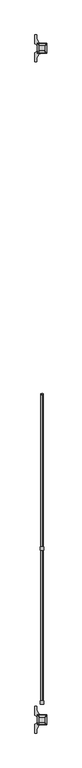
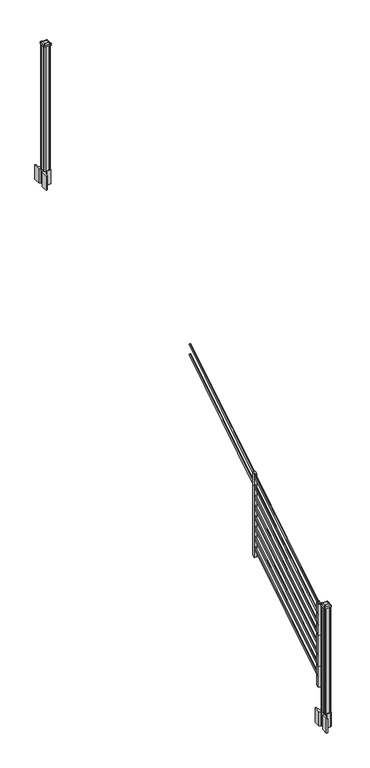
"""IFC4 building model written with IfcOpenShell, lengths in millimetres: railing geometry."""

from ifc_helpers import new_model, si_unit, point, frame, frame_2d, origin, origin_2d, place, context, project, spatial, polyline, circle_curve, trimmed, segment, composite_curve, outline, extrude, source, transform, mapped, element, save
from ifc_brep_helpers import plane_surface, extruded_surface, advanced_brep


def railing_a43fe836(model_context):
    return source(origin(), model_context, "Body", "SolidModel", [
        extrude(outline(composite_curve([segment(trimmed(circle_curve(origin_2d(), 8.001), [point((0.0, 8.001))], [point((0.0, -8.001))], False, "CARTESIAN"), True, "CONTINUOUS"), segment(trimmed(circle_curve(origin_2d(), 8.001), [point((0.0, -8.001))], [point((0.0, 8.001))], False, "CARTESIAN"), True, "CONTINUOUS")], self_intersect=False)), frame((11074.5274858, -141507.6308453, 1880.2290853), z_axis=(0.0, 0.8479983040051253, 0.5299989400031202), x_axis=(1.0, 0.0, 0.0)), (0.0, 0.0, 1.0), 1347.8800542),
        extrude(outline(composite_curve([segment(trimmed(circle_curve(origin_2d(), 8.001), [point((0.0, 8.001))], [point((0.0, -8.001))], False, "CARTESIAN"), True, "CONTINUOUS"), segment(trimmed(circle_curve(origin_2d(), 8.001), [point((0.0, -8.001))], [point((0.0, 8.001))], False, "CARTESIAN"), True, "CONTINUOUS")], self_intersect=False)), frame((11074.5274858, -141507.6308453, 1991.4189969), z_axis=(0.0, 0.8479983040051254, 0.5299989400031201), x_axis=(1.0, 0.0, 0.0)), (0.0, 0.0, 1.0), 1347.8800542),
        extrude(outline(polyline([(-141489.8508453, 1123.1203781), (-141515.2508453, 1107.2453781), (-141515.2508453, 2000.5675), (-141489.8508453, 2016.4425), (-141489.8508453, 1123.1203781)])), frame((11062.1376478, 0.0, 0.0), z_axis=(1.0, 0.0, 0.0), x_axis=(0.0, 1.0, 0.0)), (0.0, 0.0, 1.0), 25.4),
        extrude(outline(composite_curve([segment(trimmed(circle_curve(origin_2d(), 8.001), [point((0.0, 8.001))], [point((0.0, -8.001))], False, "CARTESIAN"), True, "CONTINUOUS"), segment(trimmed(circle_curve(origin_2d(), 8.001), [point((0.0, -8.001))], [point((0.0, 8.001))], False, "CARTESIAN"), True, "CONTINUOUS")], self_intersect=False)), frame((11074.5274858, -142640.4708453, 505.0646159), z_axis=(0.0, 0.8479983040051253, 0.5299989400031202), x_axis=(1.0, 0.0, 0.0)), (0.0, 0.0, 1.0), 1347.8800542),
        extrude(outline(composite_curve([segment(trimmed(circle_curve(origin_2d(), 8.001), [point((0.0, 8.001))], [point((0.0, -8.001))], False, "CARTESIAN"), True, "CONTINUOUS"), segment(trimmed(circle_curve(origin_2d(), 8.001), [point((0.0, -8.001))], [point((0.0, 8.001))], False, "CARTESIAN"), True, "CONTINUOUS")], self_intersect=False)), frame((11074.5274858, -142640.4708453, 616.2545274), z_axis=(0.0, 0.8479983040051253, 0.5299989400031202), x_axis=(1.0, 0.0, 0.0)), (0.0, 0.0, 1.0), 1347.8800542),
        extrude(outline(composite_curve([segment(trimmed(circle_curve(origin_2d(), 8.001), [point((0.0, 8.001))], [point((0.0, -8.001))], False, "CARTESIAN"), True, "CONTINUOUS"), segment(trimmed(circle_curve(origin_2d(), 8.001), [point((0.0, -8.001))], [point((0.0, 8.001))], False, "CARTESIAN"), True, "CONTINUOUS")], self_intersect=False)), frame((11074.5274858, -142640.4708453, 727.444439), z_axis=(0.0, 0.8479983040051254, 0.5299989400031202), x_axis=(1.0, 0.0, 0.0)), (0.0, 0.0, 1.0), 1347.8800542),
        extrude(outline(composite_curve([segment(trimmed(circle_curve(origin_2d(), 8.001), [point((0.0, 8.001))], [point((0.0, -8.001))], False, "CARTESIAN"), True, "CONTINUOUS"), segment(trimmed(circle_curve(origin_2d(), 8.001), [point((0.0, -8.001))], [point((0.0, 8.001))], False, "CARTESIAN"), True, "CONTINUOUS")], self_intersect=False)), frame((11074.5274858, -142640.4708453, 838.6343506), z_axis=(0.0, 0.8479983040051254, 0.5299989400031202), x_axis=(1.0, 0.0, 0.0)), (0.0, 0.0, 1.0), 1347.8800542),
        extrude(outline(composite_curve([segment(trimmed(circle_curve(origin_2d(), 8.001), [point((0.0, 8.001))], [point((0.0, -8.001))], False, "CARTESIAN"), True, "CONTINUOUS"), segment(trimmed(circle_curve(origin_2d(), 8.001), [point((0.0, -8.001))], [point((0.0, 8.001))], False, "CARTESIAN"), True, "CONTINUOUS")], self_intersect=False)), frame((11074.5274858, -142640.4708453, 949.8242622), z_axis=(0.0, 0.8479983040051253, 0.5299989400031203), x_axis=(1.0, 0.0, 0.0)), (0.0, 0.0, 1.0), 1347.8800542),
        extrude(outline(composite_curve([segment(trimmed(circle_curve(origin_2d(), 8.001), [point((0.0, 8.001))], [point((0.0, -8.001))], False, "CARTESIAN"), True, "CONTINUOUS"), segment(trimmed(circle_curve(origin_2d(), 8.001), [point((0.0, -8.001))], [point((0.0, 8.001))], False, "CARTESIAN"), True, "CONTINUOUS")], self_intersect=False)), frame((11074.5274858, -142640.4708453, 1061.0141737), z_axis=(0.0, 0.8479983040051253, 0.5299989400031203), x_axis=(1.0, 0.0, 0.0)), (0.0, 0.0, 1.0), 1347.8800542),
        extrude(outline(composite_curve([segment(trimmed(circle_curve(origin_2d(), 8.001), [point((0.0, 8.001))], [point((0.0, -8.001))], False, "CARTESIAN"), True, "CONTINUOUS"), segment(trimmed(circle_curve(origin_2d(), 8.001), [point((0.0, -8.001))], [point((0.0, 8.001))], False, "CARTESIAN"), True, "CONTINUOUS")], self_intersect=False)), frame((11074.5274858, -142640.4708453, 1172.2040853), z_axis=(0.0, 0.8479983040051253, 0.5299989400031202), x_axis=(1.0, 0.0, 0.0)), (0.0, 0.0, 1.0), 1347.8800542),
        extrude(outline(composite_curve([segment(trimmed(circle_curve(origin_2d(), 8.001), [point((0.0, 8.001))], [point((0.0, -8.001))], False, "CARTESIAN"), True, "CONTINUOUS"), segment(trimmed(circle_curve(origin_2d(), 8.001), [point((0.0, -8.001))], [point((0.0, 8.001))], False, "CARTESIAN"), True, "CONTINUOUS")], self_intersect=False)), frame((11074.5274858, -142640.4708453, 1283.3939969), z_axis=(0.0, 0.8479983040051254, 0.5299989400031201), x_axis=(1.0, 0.0, 0.0)), (0.0, 0.0, 1.0), 1347.8800542),
        extrude(outline(polyline([(-142622.6908453, 415.0953781), (-142648.0908453, 399.2203781), (-142648.0908453, 1292.5425), (-142622.6908453, 1308.4175), (-142622.6908453, 415.0953781)])), frame((11062.1376478, 0.0, 0.0), z_axis=(1.0, 0.0, 0.0), x_axis=(0.0, 1.0, 0.0)), (0.0, 0.0, 1.0), 25.4),
        extrude(outline(polyline([(11044.6751478, -137852.0628453), (11043.0876478, -137850.4753453), (11043.0876478, -137840.1248453), (11044.6751478, -137839.3628453), (11044.6751478, -137801.2628453), (11043.0876478, -137800.5008453), (11043.0876478, -137790.1503453), (11044.6751478, -137788.5628453), (11055.0256478, -137788.5628453), (11055.7876478, -137790.1503453), (11093.8876478, -137790.1503453), (11094.6496478, -137788.5628453), (11105.0001478, -137788.5628453), (11106.5876478, -137790.1503453), (11106.5876478, -137800.5008453), (11105.0001478, -137801.2628453), (11105.0001478, -137839.3628453), (11106.5876478, -137840.1248453), (11106.5876478, -137850.4753453), (11105.0001478, -137852.0628453), (11094.6496478, -137852.0628453), (11093.8876478, -137850.4753453), (11055.7876478, -137850.4753453), (11055.0256478, -137852.0628453), (11044.6751478, -137852.0628453)])), frame((0.0, 0.0, 3048.0), z_axis=(0.0, 0.0, 1.0), x_axis=(1.0, 0.0, 0.0)), (0.0, 0.0, 1.0), 1339.974263),
        extrude(outline(composite_curve([segment(polyline([(11107.8893978, -137837.4449401), (11109.4768978, -137838.2069401), (11109.4768978, -137851.7378682), (11106.2626707, -137854.9520953), (11054.5819999, -137854.9520953), (11054.5819999, -137855.8728453), (11058.9323311, -137855.8728453), (11058.9323311, -137857.3271), (11053.8478014, -137857.3271), (11053.8478014, -137858.6111238), (11061.6385135, -137858.6111238)]), True, "CONTINUOUS"), segment(trimmed(circle_curve(frame_2d((11061.6385135, -137875.3543337)), 16.7432099), [point((11061.6385135, -137858.6111238))], [point((11045.0163912, -137873.344327))], True, "CARTESIAN"), True, "CONTINUOUS"), segment(polyline([(11045.0163912, -137873.344327), (11037.3009469, -137890.3796654)]), True, "CONTINUOUS"), segment(trimmed(circle_curve(frame_2d((11082.4017103, -137906.6517151)), 47.9464123), [point((11037.3009469, -137890.3796654))], [point((11034.455298, -137906.6517151))], True, "CARTESIAN"), True, "CONTINUOUS"), segment(polyline([(11034.455298, -137906.6517151), (11034.455298, -137918.6604547), (11022.2517103, -137918.6604547), (11022.2517103, -137853.3645953), (11040.1983978, -137841.788179), (11040.1983978, -137838.2069401), (11041.7858978, -137837.4449401), (11041.7858978, -137803.1807504), (11040.1983978, -137802.4187504), (11040.1983978, -137798.8375116), (11022.2517103, -137787.2610953), (11022.2517103, -137721.9652359), (11034.455298, -137721.9652359), (11034.455298, -137733.9739755)]), True, "CONTINUOUS"), segment(trimmed(circle_curve(frame_2d((11082.4017103, -137733.9739755)), 47.9464123), [point((11034.455298, -137733.9739755))], [point((11037.3009469, -137750.2460251))], True, "CARTESIAN"), True, "CONTINUOUS"), segment(polyline([(11037.3009469, -137750.2460251), (11045.0163912, -137767.2813636)]), True, "CONTINUOUS"), segment(trimmed(circle_curve(frame_2d((11061.6385135, -137765.2713569)), 16.7432099), [point((11045.0163912, -137767.2813636))], [point((11061.6385135, -137782.0145668))], True, "CARTESIAN"), True, "CONTINUOUS"), segment(polyline([(11061.6385135, -137782.0145668), (11063.3057858, -137782.0145668), (11063.3057858, -137783.2985906), (11058.9323311, -137783.2985906), (11058.9323311, -137784.7528453), (11054.5819999, -137784.7528453), (11054.5819999, -137785.6735953), (11106.2626707, -137785.6735953), (11109.4768978, -137788.8878224), (11109.4768978, -137802.4187504), (11107.8893978, -137803.1807504), (11107.8893978, -137837.4449401)]), True, "CONTINUOUS")], self_intersect=False), holes=[polyline([(11043.0876478, -137790.1503453), (11043.0876478, -137850.4753453), (11044.6751478, -137852.0628453), (11072.0744304, -137852.0628453), (11105.0001478, -137852.0628453), (11106.5876478, -137850.4753453), (11106.5876478, -137790.1503453), (11105.0001478, -137788.5628453), (11072.0744304, -137788.5628453), (11044.6751478, -137788.5628453), (11043.0876478, -137790.1503453)])]), frame((0.0, 0.0, 2895.6), z_axis=(0.0, 0.0, 1.0), x_axis=(1.0, 0.0, 0.0)), (0.0, 0.0, 1.0), 152.4),
        advanced_brep(
        [(11058.9626478, -137839.3628453, 4416.549263), (11090.7126478, -137839.3628453, 4416.549263), (11093.8876478, -137836.1878453, 4416.549263), (11093.8876478, -137804.4378453, 4416.549263), (11090.7126478, -137801.2628453, 4416.549263), (11058.9626478, -137801.2628453, 4416.549263), (11055.7876478, -137804.4378453, 4416.549263), (11055.7876478, -137836.1878453, 4416.549263), (11042.4526478, -137855.8728453, 4405.246263), (11039.2776478, -137852.6978453, 4405.246263), (11039.2776478, -137787.9278453, 4405.246263), (11042.4526478, -137784.7528453, 4405.246263), (11107.2226478, -137784.7528453, 4405.246263), (11110.3976478, -137787.9278453, 4405.246263), (11110.3976478, -137852.6978453, 4405.246263), (11107.2226478, -137855.8728453, 4405.246263)],
        [
            (0, 1),
            (1, 2, circle_curve(frame((11090.7126478, -137836.1878453, 4416.549263), z_axis=(0.0, 0.0, 1.0), x_axis=(0.0, 1.0, 0.0)), 3.175)),
            (2, 3),
            (3, 4, circle_curve(frame((11090.7126478, -137804.4378453, 4416.549263), z_axis=(0.0, 0.0, 1.0), x_axis=(0.0, 1.0, 0.0)), 3.175)),
            (4, 5),
            (5, 6, circle_curve(frame((11058.9626478, -137804.4378453, 4416.549263), z_axis=(0.0, 0.0, 1.0), x_axis=(0.0, 1.0, 0.0)), 3.175)),
            (6, 7),
            (7, 0, circle_curve(frame((11058.9626478, -137836.1878453, 4416.549263), z_axis=(0.0, 0.0, 1.0), x_axis=(0.0, 1.0, 0.0)), 3.175)),
            (8, 9, circle_curve(frame((11042.4526478, -137852.6978453, 4405.246263), z_axis=(0.0, 0.0, -1.0), x_axis=(0.0, 1.0, 0.0)), 3.175)),
            (9, 10),
            (10, 11, circle_curve(frame((11042.4526478, -137787.9278453, 4405.246263), z_axis=(0.0, 0.0, -1.0), x_axis=(0.0, 1.0, 0.0)), 3.175)),
            (11, 12),
            (12, 13, circle_curve(frame((11107.2226478, -137787.9278453, 4405.246263), z_axis=(0.0, 0.0, -1.0), x_axis=(0.0, 1.0, 0.0)), 3.175)),
            (13, 14),
            (14, 15, circle_curve(frame((11107.2226478, -137852.6978453, 4405.246263), z_axis=(0.0, 0.0, -1.0), x_axis=(0.0, 1.0, 0.0)), 3.175)),
            (15, 8),
            (8, 0),
            (7, 9),
            (6, 10),
            (5, 11),
            (4, 12),
            (3, 13),
            (2, 14),
            (1, 15),
        ],
        [
            plane_surface(frame((11074.8376478, -137820.3128453, 4416.549263), z_axis=(0.0, 0.0, 1.0), x_axis=(-1.0, 0.0, 0.0))),
            plane_surface(frame((11074.8376478, -137820.3128453, 4405.246263), z_axis=(0.0, 0.0, -1.0), x_axis=(-1.0, 0.0, 0.0))),
            extruded_surface(trimmed(circle_curve(frame((11058.9626478, -137836.1878453, 4416.549263), z_axis=(0.0, 0.0, -1.0), x_axis=(0.0, 1.0, 0.0)), 3.175), [point((11058.9626478, -137839.3628453, 4416.549263))], [point((11055.7876478, -137836.1878453, 4416.549263))], True, "CARTESIAN"), (-16.5099999999984, -16.50999999998021, -11.302999999999884), 25.940663233604706),
            plane_surface(frame((11039.2776478, -137820.3128453, 4405.246263), z_axis=(-0.5649114395471312, 0.0, 0.8251515409116001), x_axis=(0.0, 1.0, 0.0))),
            extruded_surface(trimmed(circle_curve(frame((11058.9626478, -137804.4378453, 4416.549263), z_axis=(0.0, 0.0, -1.0), x_axis=(0.0, 1.0, 0.0)), 3.175), [point((11055.7876478, -137804.4378453, 4416.549263))], [point((11058.9626478, -137801.2628453, 4416.549263))], True, "CARTESIAN"), (-16.5099999999984, 16.510000000009313, -11.302999999999884), 25.94066323362323),
            plane_surface(frame((11074.8376478, -137784.7528453, 4405.246263), z_axis=(0.0, 0.564911439547091, 0.8251515409116277), x_axis=(1.0, 0.0, 0.0))),
            extruded_surface(trimmed(circle_curve(frame((11090.7126478, -137804.4378453, 4416.549263), z_axis=(0.0, 0.0, -1.0), x_axis=(0.0, 1.0, 0.0)), 3.175), [point((11090.7126478, -137801.2628453, 4416.549263))], [point((11093.8876478, -137804.4378453, 4416.549263))], True, "CARTESIAN"), (16.51000000000022, 16.510000000009313, -11.302999999999884), 25.940663233624388),
            plane_surface(frame((11110.3976478, -137820.3128453, 4405.246263), z_axis=(0.5649114395470521, 0.0, 0.8251515409116541), x_axis=(0.0, -1.0, 0.0))),
            extruded_surface(trimmed(circle_curve(frame((11090.7126478, -137836.1878453, 4416.549263), z_axis=(0.0, 0.0, -1.0), x_axis=(0.0, 1.0, 0.0)), 3.175), [point((11093.8876478, -137836.1878453, 4416.549263))], [point((11090.7126478, -137839.3628453, 4416.549263))], True, "CARTESIAN"), (16.51000000000022, -16.50999999998021, -11.302999999999884), 25.940663233605864),
            plane_surface(frame((11074.8376478, -137855.8728453, 4405.246263), z_axis=(0.0, -0.5649114395471048, 0.8251515409116182), x_axis=(-1.0, 0.0, 0.0))),
        ],
        [
            (0, [[1, 2, 3, 4, 5, 6, 7, 8]]),
            (1, [[9, 10, 11, 12, 13, 14, 15, 16]]),
            (2, [[17, -8, 18, -9]]),
            (3, [[-18, -7, 19, -10]]),
            (4, [[-19, -6, 20, -11]]),
            (5, [[-20, -5, 21, -12]]),
            (6, [[-21, -4, 22, -13]]),
            (7, [[-22, -3, 23, -14]]),
            (8, [[-23, -2, 24, -15]]),
            (9, [[-24, -1, -17, -16]]),
        ],
    ),
        extrude(outline(composite_curve([segment(trimmed(circle_curve(frame_2d((11042.4526478, -137852.6978453)), 3.175), [point((11042.4526478, -137855.8728453))], [point((11039.2776478, -137852.6978453))], False, "CARTESIAN"), True, "CONTINUOUS"), segment(polyline([(11039.2776478, -137852.6978453), (11039.2776478, -137787.9278453)]), True, "CONTINUOUS"), segment(trimmed(circle_curve(frame_2d((11042.4526478, -137787.9278453)), 3.175), [point((11039.2776478, -137787.9278453))], [point((11042.4526478, -137784.7528453))], False, "CARTESIAN"), True, "CONTINUOUS"), segment(polyline([(11042.4526478, -137784.7528453), (11107.2226478, -137784.7528453)]), True, "CONTINUOUS"), segment(trimmed(circle_curve(frame_2d((11107.2226478, -137787.9278453)), 3.175), [point((11107.2226478, -137784.7528453))], [point((11110.3976478, -137787.9278453))], False, "CARTESIAN"), True, "CONTINUOUS"), segment(polyline([(11110.3976478, -137787.9278453), (11110.3976478, -137852.6978453)]), True, "CONTINUOUS"), segment(trimmed(circle_curve(frame_2d((11107.2226478, -137852.6978453)), 3.175), [point((11110.3976478, -137852.6978453))], [point((11107.2226478, -137855.8728453))], False, "CARTESIAN"), True, "CONTINUOUS"), segment(polyline([(11107.2226478, -137855.8728453), (11042.4526478, -137855.8728453)]), True, "CONTINUOUS")], self_intersect=False)), frame((0.0, 0.0, 4387.974263), z_axis=(0.0, 0.0, 1.0), x_axis=(1.0, 0.0, 0.0)), (0.0, 0.0, 1.0), 17.272),
        extrude(outline(composite_curve([segment(polyline([(11107.8893978, -142777.7449401), (11109.4768978, -142778.5069401), (11109.4768978, -142792.0378682), (11106.2626707, -142795.2520953), (11054.5819999, -142795.2520953), (11054.5819999, -142796.1728453), (11058.9323311, -142796.1728453), (11058.9323311, -142797.6271), (11053.8478014, -142797.6271), (11053.8478014, -142798.9111238), (11061.6385135, -142798.9111238)]), True, "CONTINUOUS"), segment(trimmed(circle_curve(frame_2d((11061.6385135, -142815.6543337)), 16.7432099), [point((11061.6385135, -142798.9111238))], [point((11045.0163912, -142813.644327))], True, "CARTESIAN"), True, "CONTINUOUS"), segment(polyline([(11045.0163912, -142813.644327), (11037.3009469, -142830.6796654)]), True, "CONTINUOUS"), segment(trimmed(circle_curve(frame_2d((11082.4017103, -142846.9517151)), 47.9464123), [point((11037.3009469, -142830.6796654))], [point((11034.455298, -142846.9517151))], True, "CARTESIAN"), True, "CONTINUOUS"), segment(polyline([(11034.455298, -142846.9517151), (11034.455298, -142858.9604547), (11022.2517103, -142858.9604547), (11022.2517103, -142793.6645953), (11040.1983978, -142782.088179), (11040.1983978, -142778.5069401), (11041.7858978, -142777.7449401), (11041.7858978, -142743.4807504), (11040.1983978, -142742.7187504), (11040.1983978, -142739.1375116), (11022.2517103, -142727.5610953), (11022.2517103, -142662.2652359), (11034.455298, -142662.2652359), (11034.455298, -142674.2739755)]), True, "CONTINUOUS"), segment(trimmed(circle_curve(frame_2d((11082.4017103, -142674.2739755)), 47.9464123), [point((11034.455298, -142674.2739755))], [point((11037.3009469, -142690.5460251))], True, "CARTESIAN"), True, "CONTINUOUS"), segment(polyline([(11037.3009469, -142690.5460251), (11045.0163912, -142707.5813636)]), True, "CONTINUOUS"), segment(trimmed(circle_curve(frame_2d((11061.6385135, -142705.5713569)), 16.7432099), [point((11045.0163912, -142707.5813636))], [point((11061.6385135, -142722.3145668))], True, "CARTESIAN"), True, "CONTINUOUS"), segment(polyline([(11061.6385135, -142722.3145668), (11063.3057858, -142722.3145668), (11063.3057858, -142723.5985906), (11058.9323311, -142723.5985906), (11058.9323311, -142725.0528453), (11054.5819999, -142725.0528453), (11054.5819999, -142725.9735953), (11106.2626707, -142725.9735953), (11109.4768978, -142729.1878224), (11109.4768978, -142742.7187504), (11107.8893978, -142743.4807504), (11107.8893978, -142777.7449401)]), True, "CONTINUOUS")], self_intersect=False), holes=[polyline([(11043.0876478, -142730.4503453), (11043.0876478, -142790.7753453), (11044.6751478, -142792.3628453), (11072.0744304, -142792.3628453), (11105.0001478, -142792.3628453), (11106.5876478, -142790.7753453), (11106.5876478, -142730.4503453), (11105.0001478, -142728.8628453), (11072.0744304, -142728.8628453), (11044.6751478, -142728.8628453), (11043.0876478, -142730.4503453)])]), frame((0.0, 0.0, 50.00625), z_axis=(0.0, 0.0, 1.0), x_axis=(1.0, 0.0, 0.0)), (0.0, 0.0, 1.0), 152.4),
        advanced_brep(
        [(11058.9626478, -142779.6628453, 1367.755513), (11090.7126478, -142779.6628453, 1367.755513), (11093.8876478, -142776.4878453, 1367.755513), (11093.8876478, -142744.7378453, 1367.755513), (11090.7126478, -142741.5628453, 1367.755513), (11058.9626478, -142741.5628453, 1367.755513), (11055.7876478, -142744.7378453, 1367.755513), (11055.7876478, -142776.4878453, 1367.755513), (11042.4526478, -142796.1728453, 1356.452513), (11039.2776478, -142792.9978453, 1356.452513), (11039.2776478, -142728.2278453, 1356.452513), (11042.4526478, -142725.0528453, 1356.452513), (11107.2226478, -142725.0528453, 1356.452513), (11110.3976478, -142728.2278453, 1356.452513), (11110.3976478, -142792.9978453, 1356.452513), (11107.2226478, -142796.1728453, 1356.452513)],
        [
            (0, 1),
            (1, 2, circle_curve(frame((11090.7126478, -142776.4878453, 1367.755513), z_axis=(0.0, 0.0, 1.0), x_axis=(0.0, 1.0, 0.0)), 3.175)),
            (2, 3),
            (3, 4, circle_curve(frame((11090.7126478, -142744.7378453, 1367.755513), z_axis=(0.0, 0.0, 1.0), x_axis=(0.0, 1.0, 0.0)), 3.175)),
            (4, 5),
            (5, 6, circle_curve(frame((11058.9626478, -142744.7378453, 1367.755513), z_axis=(0.0, 0.0, 1.0), x_axis=(0.0, 1.0, 0.0)), 3.175)),
            (6, 7),
            (7, 0, circle_curve(frame((11058.9626478, -142776.4878453, 1367.755513), z_axis=(0.0, 0.0, 1.0), x_axis=(0.0, 1.0, 0.0)), 3.175)),
            (8, 9, circle_curve(frame((11042.4526478, -142792.9978453, 1356.452513), z_axis=(0.0, 0.0, -1.0), x_axis=(0.0, 1.0, 0.0)), 3.175)),
            (9, 10),
            (10, 11, circle_curve(frame((11042.4526478, -142728.2278453, 1356.452513), z_axis=(0.0, 0.0, -1.0), x_axis=(0.0, 1.0, 0.0)), 3.175)),
            (11, 12),
            (12, 13, circle_curve(frame((11107.2226478, -142728.2278453, 1356.452513), z_axis=(0.0, 0.0, -1.0), x_axis=(0.0, 1.0, 0.0)), 3.175)),
            (13, 14),
            (14, 15, circle_curve(frame((11107.2226478, -142792.9978453, 1356.452513), z_axis=(0.0, 0.0, -1.0), x_axis=(0.0, 1.0, 0.0)), 3.175)),
            (15, 8),
            (8, 0),
            (7, 9),
            (6, 10),
            (5, 11),
            (4, 12),
            (3, 13),
            (2, 14),
            (1, 15),
        ],
        [
            plane_surface(frame((11074.8376478, -142760.6128453, 1367.755513), z_axis=(0.0, 0.0, 1.0), x_axis=(-1.0, 0.0, 0.0))),
            plane_surface(frame((11074.8376478, -142760.6128453, 1356.452513), z_axis=(0.0, 0.0, -1.0), x_axis=(-1.0, 0.0, 0.0))),
            extruded_surface(trimmed(circle_curve(frame((11058.9626478, -142776.4878453, 1367.755513), z_axis=(0.0, 0.0, -1.0), x_axis=(0.0, 1.0, 0.0)), 3.175), [point((11058.9626478, -142779.6628453, 1367.755513))], [point((11055.7876478, -142776.4878453, 1367.755513))], True, "CARTESIAN"), (-16.5099999999984, -16.510000000009313, -11.303000000000111), 25.94066323362333),
            plane_surface(frame((11039.2776478, -142760.6128453, 1356.452513), z_axis=(-0.5649114395471265, 0.0, 0.8251515409116033), x_axis=(0.0, 1.0, 0.0))),
            extruded_surface(trimmed(circle_curve(frame((11058.9626478, -142744.7378453, 1367.755513), z_axis=(0.0, 0.0, -1.0), x_axis=(0.0, 1.0, 0.0)), 3.175), [point((11055.7876478, -142744.7378453, 1367.755513))], [point((11058.9626478, -142741.5628453, 1367.755513))], True, "CARTESIAN"), (-16.5099999999984, 16.510000000009313, -11.303000000000111), 25.94066323362333),
            plane_surface(frame((11074.8376478, -142725.0528453, 1356.452513), z_axis=(0.0, 0.564911439547091, 0.8251515409116277), x_axis=(1.0, 0.0, 0.0))),
            extruded_surface(trimmed(circle_curve(frame((11090.7126478, -142744.7378453, 1367.755513), z_axis=(0.0, 0.0, -1.0), x_axis=(0.0, 1.0, 0.0)), 3.175), [point((11090.7126478, -142741.5628453, 1367.755513))], [point((11093.8876478, -142744.7378453, 1367.755513))], True, "CARTESIAN"), (16.51000000000022, 16.510000000009313, -11.303000000000111), 25.940663233624488),
            plane_surface(frame((11110.3976478, -142760.6128453, 1356.452513), z_axis=(0.5649114395470568, 0.0, 0.825151540911651), x_axis=(0.0, -1.0, 0.0))),
            extruded_surface(trimmed(circle_curve(frame((11090.7126478, -142776.4878453, 1367.755513), z_axis=(0.0, 0.0, -1.0), x_axis=(0.0, 1.0, 0.0)), 3.175), [point((11093.8876478, -142776.4878453, 1367.755513))], [point((11090.7126478, -142779.6628453, 1367.755513))], True, "CARTESIAN"), (16.51000000000022, -16.510000000009313, -11.303000000000111), 25.940663233624488),
            plane_surface(frame((11074.8376478, -142796.1728453, 1356.452513), z_axis=(0.0, -0.5649114395471048, 0.8251515409116182), x_axis=(-1.0, 0.0, 0.0))),
        ],
        [
            (0, [[1, 2, 3, 4, 5, 6, 7, 8]]),
            (1, [[9, 10, 11, 12, 13, 14, 15, 16]]),
            (2, [[17, -8, 18, -9]]),
            (3, [[-18, -7, 19, -10]]),
            (4, [[-19, -6, 20, -11]]),
            (5, [[-20, -5, 21, -12]]),
            (6, [[-21, -4, 22, -13]]),
            (7, [[-22, -3, 23, -14]]),
            (8, [[-23, -2, 24, -15]]),
            (9, [[-24, -1, -17, -16]]),
        ],
    ),
        extrude(outline(composite_curve([segment(trimmed(circle_curve(frame_2d((11042.4526478, -142792.9978453)), 3.175), [point((11042.4526478, -142796.1728453))], [point((11039.2776478, -142792.9978453))], False, "CARTESIAN"), True, "CONTINUOUS"), segment(polyline([(11039.2776478, -142792.9978453), (11039.2776478, -142728.2278453)]), True, "CONTINUOUS"), segment(trimmed(circle_curve(frame_2d((11042.4526478, -142728.2278453)), 3.175), [point((11039.2776478, -142728.2278453))], [point((11042.4526478, -142725.0528453))], False, "CARTESIAN"), True, "CONTINUOUS"), segment(polyline([(11042.4526478, -142725.0528453), (11107.2226478, -142725.0528453)]), True, "CONTINUOUS"), segment(trimmed(circle_curve(frame_2d((11107.2226478, -142728.2278453)), 3.175), [point((11107.2226478, -142725.0528453))], [point((11110.3976478, -142728.2278453))], False, "CARTESIAN"), True, "CONTINUOUS"), segment(polyline([(11110.3976478, -142728.2278453), (11110.3976478, -142792.9978453)]), True, "CONTINUOUS"), segment(trimmed(circle_curve(frame_2d((11107.2226478, -142792.9978453)), 3.175), [point((11110.3976478, -142792.9978453))], [point((11107.2226478, -142796.1728453))], False, "CARTESIAN"), True, "CONTINUOUS"), segment(polyline([(11107.2226478, -142796.1728453), (11042.4526478, -142796.1728453)]), True, "CONTINUOUS")], self_intersect=False)), frame((0.0, 0.0, 1339.180513), z_axis=(0.0, 0.0, 1.0), x_axis=(1.0, 0.0, 0.0)), (0.0, 0.0, 1.0), 17.272),
        extrude(outline(polyline([(11044.6751478, -142792.3628453), (11043.0876478, -142790.7753453), (11043.0876478, -142780.4248453), (11044.6751478, -142779.6628453), (11044.6751478, -142741.5628453), (11043.0876478, -142740.8008453), (11043.0876478, -142730.4503453), (11044.6751478, -142728.8628453), (11055.0256478, -142728.8628453), (11055.7876478, -142730.4503453), (11093.8876478, -142730.4503453), (11094.6496478, -142728.8628453), (11105.0001478, -142728.8628453), (11106.5876478, -142730.4503453), (11106.5876478, -142740.8008453), (11105.0001478, -142741.5628453), (11105.0001478, -142779.6628453), (11106.5876478, -142780.4248453), (11106.5876478, -142790.7753453), (11105.0001478, -142792.3628453), (11094.6496478, -142792.3628453), (11093.8876478, -142790.7753453), (11055.7876478, -142790.7753453), (11055.0256478, -142792.3628453), (11044.6751478, -142792.3628453)])), frame((0.0, 0.0, 202.40625), z_axis=(0.0, 0.0, 1.0), x_axis=(1.0, 0.0, 0.0)), (0.0, 0.0, 1.0), 1136.774263),
    ])


if __name__ == "__main__":
    model = new_model("IFC4")
    model_context = context("Model", 3, world=origin())
    ifc_project = project(units=[si_unit("LENGTHUNIT", "METRE", prefix="MILLI")], contexts=[model_context])
    site = spatial("IfcSite", under=ifc_project)
    building = spatial("IfcBuilding", under=site)
    placement = place(None, origin())
    railing_shape = railing_a43fe836(model_context)
    element("IfcRailing", 1, at=placement, inside=building, context=model_context, shape_type="MappedRepresentation", body=[
        mapped(railing_shape, transform((0.0, 0.0, 0.0), x_axis=(1.0, 0.0, 0.0), y_axis=(0.0, 1.0, 0.0), z_axis=(0.0, 0.0, 1.0))),
    ])
    save(model, "model.ifc")
